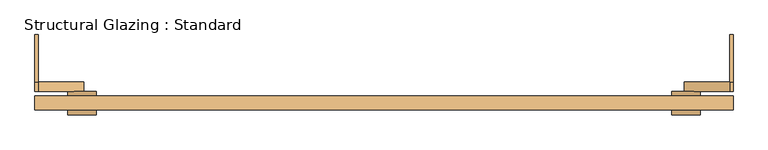
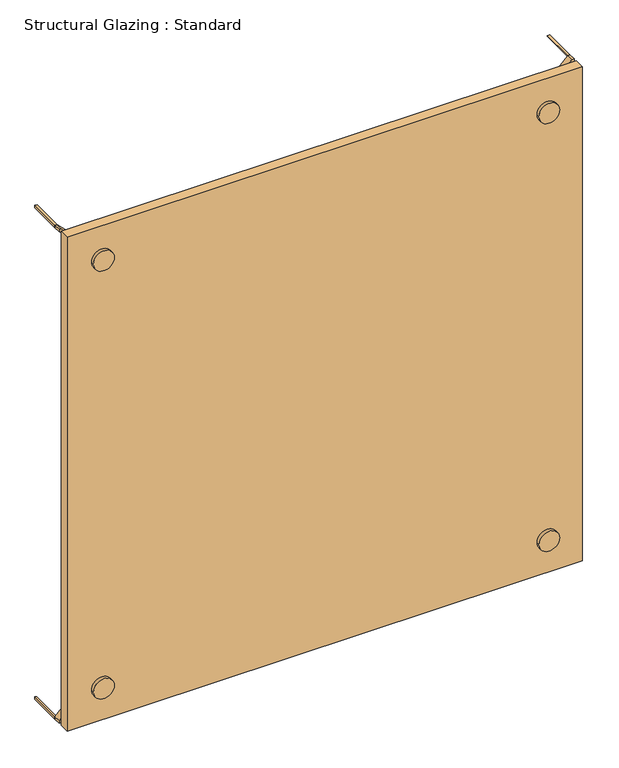
"""IFC4 building model written with IfcOpenShell, lengths in millimetres: door geometry, Structural Glazing : Standard."""

from ifc_helpers import new_model, si_unit, point, frame, frame_2d, origin, origin_with_axes, place, context, project, spatial, polyline, circle_curve, trimmed, segment, composite_curve, outline, extrude, source, transform, mapped, element, save


def structural_glazing_standard_208d71f3(model_context):
    return source(origin(), model_context, "Body", "SweptSolid", [
        extrude(outline(composite_curve([segment(trimmed(circle_curve(frame_2d((100.0, 640.0)), 30.0), [point((100.0, 610.0))], [point((100.0, 670.0))], False, "CARTESIAN"), True, "CONTINUOUS"), segment(trimmed(circle_curve(frame_2d((100.0, 640.0)), 30.0), [point((100.0, 670.0))], [point((100.0, 610.0))], False, "CARTESIAN"), True, "CONTINUOUS")], self_intersect=False)), frame((0.0, 28.9615014, 0.0), z_axis=(0.0, 1.0, 0.0), x_axis=(0.0, 0.0, 1.0)), (0.0, 0.0, 1.0), 10.0),
        extrude(outline(composite_curve([segment(trimmed(circle_curve(frame_2d((100.0, -640.0)), 30.0), [point((100.0, -670.0))], [point((100.0, -610.0))], False, "CARTESIAN"), True, "CONTINUOUS"), segment(trimmed(circle_curve(frame_2d((100.0, -640.0)), 30.0), [point((100.0, -610.0))], [point((100.0, -670.0))], False, "CARTESIAN"), True, "CONTINUOUS")], self_intersect=False)), frame((0.0, 28.9615014, 0.0), z_axis=(0.0, 1.0, 0.0), x_axis=(0.0, 0.0, 1.0)), (0.0, 0.0, 1.0), 10.0),
        extrude(outline(composite_curve([segment(trimmed(circle_curve(frame_2d((1400.0, -640.0)), 30.0), [point((1400.0, -670.0))], [point((1400.0, -610.0))], False, "CARTESIAN"), True, "CONTINUOUS"), segment(trimmed(circle_curve(frame_2d((1400.0, -640.0)), 30.0), [point((1400.0, -610.0))], [point((1400.0, -670.0))], False, "CARTESIAN"), True, "CONTINUOUS")], self_intersect=False)), frame((0.0, 28.9615014, 0.0), z_axis=(0.0, 1.0, 0.0), x_axis=(0.0, 0.0, 1.0)), (0.0, 0.0, 1.0), 10.0),
        extrude(outline(composite_curve([segment(trimmed(circle_curve(frame_2d((1400.0, 640.0)), 30.0), [point((1400.0, 610.0))], [point((1400.0, 670.0))], False, "CARTESIAN"), True, "CONTINUOUS"), segment(trimmed(circle_curve(frame_2d((1400.0, 640.0)), 30.0), [point((1400.0, 670.0))], [point((1400.0, 610.0))], False, "CARTESIAN"), True, "CONTINUOUS")], self_intersect=False)), frame((0.0, 28.9615014, 0.0), z_axis=(0.0, 1.0, 0.0), x_axis=(0.0, 0.0, 1.0)), (0.0, 0.0, 1.0), 10.0),
        extrude(outline(composite_curve([segment(trimmed(circle_curve(frame_2d((100.0, -640.0)), 30.0), [point((100.0, -670.0))], [point((100.0, -610.0))], False, "CARTESIAN"), True, "CONTINUOUS"), segment(trimmed(circle_curve(frame_2d((100.0, -640.0)), 30.0), [point((100.0, -610.0))], [point((100.0, -670.0))], False, "CARTESIAN"), True, "CONTINUOUS")], self_intersect=False)), frame((0.0, -11.0384986, 0.0), z_axis=(0.0, 1.0, 0.0), x_axis=(0.0, 0.0, 1.0)), (0.0, 0.0, 1.0), 10.0),
        extrude(outline(composite_curve([segment(trimmed(circle_curve(frame_2d((100.0, 640.0)), 30.0), [point((100.0, 610.0))], [point((100.0, 670.0))], False, "CARTESIAN"), True, "CONTINUOUS"), segment(trimmed(circle_curve(frame_2d((100.0, 640.0)), 30.0), [point((100.0, 670.0))], [point((100.0, 610.0))], False, "CARTESIAN"), True, "CONTINUOUS")], self_intersect=False)), frame((0.0, -11.0384986, 0.0), z_axis=(0.0, 1.0, 0.0), x_axis=(0.0, 0.0, 1.0)), (0.0, 0.0, 1.0), 10.0),
        extrude(outline(composite_curve([segment(trimmed(circle_curve(frame_2d((1400.0, -640.0)), 30.0), [point((1400.0, -670.0))], [point((1400.0, -610.0))], False, "CARTESIAN"), True, "CONTINUOUS"), segment(trimmed(circle_curve(frame_2d((1400.0, -640.0)), 30.0), [point((1400.0, -610.0))], [point((1400.0, -670.0))], False, "CARTESIAN"), True, "CONTINUOUS")], self_intersect=False)), frame((0.0, -11.0384986, 0.0), z_axis=(0.0, 1.0, 0.0), x_axis=(0.0, 0.0, 1.0)), (0.0, 0.0, 1.0), 10.0),
        extrude(outline(composite_curve([segment(trimmed(circle_curve(frame_2d((1400.0, 640.0)), 30.0), [point((1400.0, 610.0))], [point((1400.0, 670.0))], False, "CARTESIAN"), True, "CONTINUOUS"), segment(trimmed(circle_curve(frame_2d((1400.0, 640.0)), 30.0), [point((1400.0, 670.0))], [point((1400.0, 610.0))], False, "CARTESIAN"), True, "CONTINUOUS")], self_intersect=False)), frame((0.0, -11.0384986, 0.0), z_axis=(0.0, 1.0, 0.0), x_axis=(0.0, 0.0, 1.0)), (0.0, 0.0, 1.0), 10.0),
        extrude(outline(polyline([(740.0, 28.9615014), (740.0, -1.0384986), (-740.0, -1.0384986), (-740.0, 28.9615014), (740.0, 28.9615014)])), origin_with_axes(), (0.0, 0.0, 1.0), 1500.0),
        extrude(outline(composite_curve([segment(polyline([(0.0, 740.0), (7.0710678, 740.0)]), True, "CONTINUOUS"), segment(trimmed(circle_curve(frame_2d((0.0, 740.0)), 7.0710678), [point((7.0710678, 740.0))], [point((0.0, 732.9289322))], False, "CARTESIAN"), True, "CONTINUOUS"), segment(polyline([(0.0, 732.9289322), (0.0, 740.0)]), True, "CONTINUOUS")], self_intersect=False)), frame((0.0, 58.9615014, 0.0), z_axis=(0.0, 1.0, 0.0), x_axis=(0.0, 0.0, 1.0)), (0.0, 0.0, 1.0), 100.0),
        extrude(outline(composite_curve([segment(polyline([(0.0, -740.0), (0.0, -732.9289322)]), True, "CONTINUOUS"), segment(trimmed(circle_curve(frame_2d((0.0, -740.0)), 7.0710678), [point((0.0, -732.9289322))], [point((7.0710678, -740.0))], False, "CARTESIAN"), True, "CONTINUOUS"), segment(polyline([(7.0710678, -740.0), (0.0, -740.0)]), True, "CONTINUOUS")], self_intersect=False)), frame((0.0, 58.9615014, 0.0), z_axis=(0.0, 1.0, 0.0), x_axis=(0.0, 0.0, 1.0)), (0.0, 0.0, 1.0), 100.0),
        extrude(outline(composite_curve([segment(polyline([(1500.0, 740.0), (1500.0, 732.9289322)]), True, "CONTINUOUS"), segment(trimmed(circle_curve(frame_2d((1500.0, 740.0)), 7.0710678), [point((1500.0, 732.9289322))], [point((1492.9289322, 740.0))], False, "CARTESIAN"), True, "CONTINUOUS"), segment(polyline([(1492.9289322, 740.0), (1500.0, 740.0)]), True, "CONTINUOUS")], self_intersect=False)), frame((0.0, 58.9615014, 0.0), z_axis=(0.0, 1.0, 0.0), x_axis=(0.0, 0.0, 1.0)), (0.0, 0.0, 1.0), 100.0),
        extrude(outline(composite_curve([segment(polyline([(1500.0, -732.9289322), (1500.0, -740.0), (1492.9289322, -740.0)]), True, "CONTINUOUS"), segment(trimmed(circle_curve(frame_2d((1500.0, -740.0)), 7.0710678), [point((1492.9289322, -740.0))], [point((1500.0, -732.9289322))], False, "CARTESIAN"), True, "CONTINUOUS")], self_intersect=False)), frame((0.0, 58.9615014, 0.0), z_axis=(0.0, 1.0, 0.0), x_axis=(0.0, 0.0, 1.0)), (0.0, 0.0, 1.0), 100.0),
        extrude(outline(polyline([(103.5355339, 643.5355339), (96.4644661, 636.4644661), (0.0, 732.9289322), (0.0, 740.0), (7.0710678, 740.0), (103.5355339, 643.5355339)])), frame((0.0, 38.9615014, 0.0), z_axis=(0.0, 1.0, 0.0), x_axis=(0.0, 0.0, 1.0)), (0.0, 0.0, 1.0), 20.0),
        extrude(outline(polyline([(0.0, -740.0), (0.0, -732.9289322), (96.4644661, -636.4644661), (103.5355339, -643.5355339), (7.0710678, -740.0), (0.0, -740.0)])), frame((0.0, 38.9615014, 0.0), z_axis=(0.0, 1.0, 0.0), x_axis=(0.0, 0.0, 1.0)), (0.0, 0.0, 1.0), 20.0),
        extrude(outline(polyline([(1500.0, -732.9289322), (1500.0, -740.0), (1492.9289322, -740.0), (1396.4644661, -643.5355339), (1403.5355339, -636.4644661), (1500.0, -732.9289322)])), frame((0.0, 38.9615014, 0.0), z_axis=(0.0, 1.0, 0.0), x_axis=(0.0, 0.0, 1.0)), (0.0, 0.0, 1.0), 20.0),
        extrude(outline(polyline([(1500.0, 732.9289322), (1403.5355339, 636.4644661), (1396.4644661, 643.5355339), (1492.9289322, 740.0), (1500.0, 740.0), (1500.0, 732.9289322)])), frame((0.0, 38.9615014, 0.0), z_axis=(0.0, 1.0, 0.0), x_axis=(0.0, 0.0, 1.0)), (0.0, 0.0, 1.0), 20.0),
    ])


if __name__ == "__main__":
    model = new_model("IFC4")
    model_context = context("Model", 3, world=origin())
    ifc_project = project(units=[si_unit("LENGTHUNIT", "METRE", prefix="MILLI")], contexts=[model_context])
    site = spatial("IfcSite", under=ifc_project)
    building = spatial("IfcBuilding", under=site)
    placement = place(None, origin())
    structural_glazing_standard_shape = structural_glazing_standard_208d71f3(model_context)
    element("IfcDoor", 1, ObjectType="Structural Glazing : Standard", at=placement, inside=building, context=model_context, shape_type="MappedRepresentation", body=[
        mapped(structural_glazing_standard_shape, transform((0.0, 0.0, 0.0), x_axis=(1.0, 0.0, 0.0), y_axis=(0.0, 1.0, 0.0), z_axis=(0.0, 0.0, 1.0))),
    ])
    save(model, "model.ifc")
